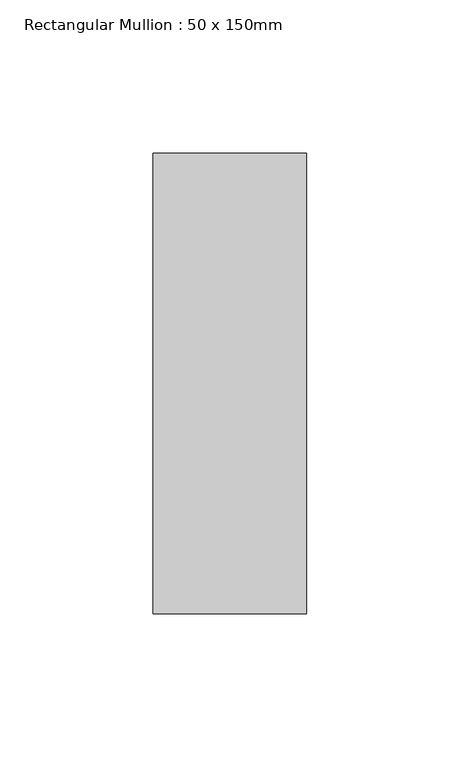
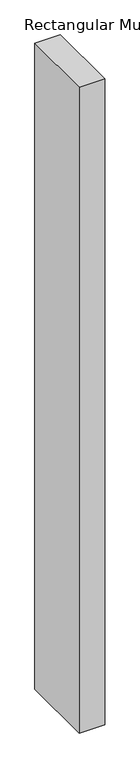
"""IFC4 building model written with IfcOpenShell, lengths in millimetres: member geometry, Rectangular Mullion : 50 x 150mm."""

from ifc_helpers import new_model, si_unit, frame, origin, place, context, project, spatial, polyline, outline, extrude, source, transform, mapped, element, save


def rectangular_mullion_50_x_150mm_0875b8c6(model_context):
    return source(origin(), model_context, "Body", "SweptSolid", [
        extrude(outline(polyline([(0.0, 75.0), (0.0, -75.0), (-50.0, -75.0), (-50.0, 75.0), (0.0, 75.0)])), frame((0.0, 0.0, -1335.7142857), z_axis=(0.0, 0.0, 1.0), x_axis=(1.0, 0.0, 0.0)), (0.0, 0.0, 1.0), 1335.7142857),
    ])


if __name__ == "__main__":
    model = new_model("IFC4")
    model_context = context("Model", 3, world=origin())
    ifc_project = project(units=[si_unit("LENGTHUNIT", "METRE", prefix="MILLI")], contexts=[model_context])
    site = spatial("IfcSite", under=ifc_project)
    building = spatial("IfcBuilding", under=site)
    placement = place(None, origin())
    rectangular_mullion_50_x_150mm_shape = rectangular_mullion_50_x_150mm_0875b8c6(model_context)
    element("IfcMember", 1, ObjectType="Rectangular Mullion : 50 x 150mm", at=placement, inside=building, context=model_context, shape_type="MappedRepresentation", body=[
        mapped(rectangular_mullion_50_x_150mm_shape, transform((0.0, 0.0, 0.0), x_axis=(1.0, 0.0, 0.0), y_axis=(0.0, 1.0, 0.0), z_axis=(0.0, 0.0, 1.0))),
    ])
    save(model, "model.ifc")
